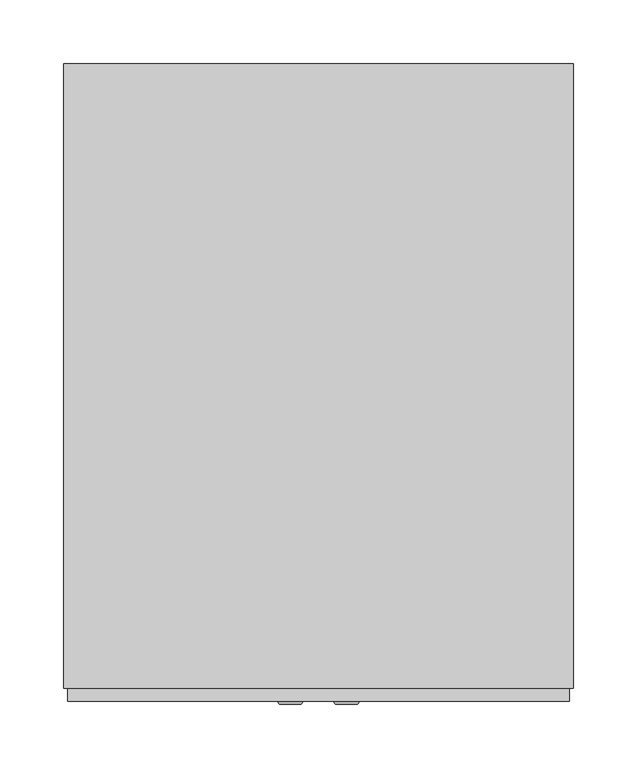
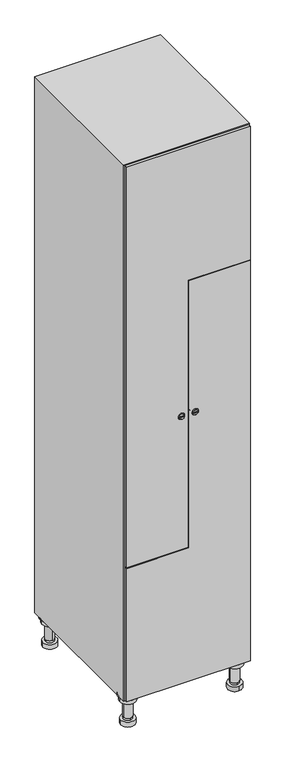
"""IFC4 building model written with IfcOpenShell, lengths in millimetres: furniture geometry."""

from ifc_helpers import new_model, si_unit, point, frame, frame_2d, origin, place, context, project, spatial, polyline, circle_curve, trimmed, segment, composite_curve, outline, extrude, faceted_brep, source, transform, mapped, element, save
from ifc_brep_helpers import plane_surface, cylinder_surface, revolved_surface, advanced_brep


def furniture_6a17eaa3(model_context):
    return source(origin(), model_context, "Body", "SolidModel", [
        advanced_brep(
        [(170.0, -201.0, 22.0), (170.0, -201.5, 16.0), (170.0, -228.5, 16.0), (170.0, -229.0, 22.0), (156.0, -215.0, 22.0), (184.0, -215.0, 22.0), (170.0, -192.5, 16.0), (170.0, -237.5, 16.0), (170.0, -192.5, 0.0), (170.0, -237.5, 0.0), (184.0, -215.0, 78.0), (156.0, -215.0, 78.0), (195.0, -215.0, 78.0), (145.0, -215.0, 78.0), (200.0, -215.0, 94.0), (140.0, -215.0, 94.0), (145.0, -215.0, 94.0), (195.0, -215.0, 94.0), (200.0, -215.0, 100.0), (140.0, -215.0, 100.0)],
        [
            (0, 1),
            (1, 2, circle_curve(frame((170.0, -215.0, 16.0), z_axis=(0.0, 0.0, 1.0), x_axis=(0.0, -1.0, 0.0)), 13.5)),
            (2, 3),
            (3, 4, circle_curve(frame((170.0, -215.0, 22.0), z_axis=(0.0, 0.0, -1.0), x_axis=(0.0, -1.0, 0.0)), 14.0)),
            (4, 0, circle_curve(frame((170.0, -215.0, 22.0), z_axis=(0.0, 0.0, -1.0), x_axis=(0.0, -1.0, 0.0)), 14.0)),
            (0, 5, circle_curve(frame((170.0, -215.0, 22.0), z_axis=(0.0, 0.0, -1.0), x_axis=(0.0, 1.0, 0.0)), 14.0)),
            (5, 3, circle_curve(frame((170.0, -215.0, 22.0), z_axis=(0.0, 0.0, -1.0), x_axis=(0.0, 1.0, 0.0)), 14.0)),
            (2, 1, circle_curve(frame((170.0, -215.0, 16.0), z_axis=(0.0, 0.0, 1.0), x_axis=(0.0, 1.0, 0.0)), 13.5)),
            (6, 7, circle_curve(frame((170.0, -215.0, 16.0), z_axis=(0.0, 0.0, 1.0), x_axis=(0.0, -1.0, 0.0)), 22.5)),
            (7, 6, circle_curve(frame((170.0, -215.0, 16.0), z_axis=(0.0, 0.0, 1.0), x_axis=(0.0, -1.0, 0.0)), 22.5)),
            (8, 9, circle_curve(frame((170.0, -215.0, 0.0), z_axis=(0.0, 0.0, -1.0), x_axis=(0.0, -1.0, 0.0)), 22.5)),
            (9, 8, circle_curve(frame((170.0, -215.0, 0.0), z_axis=(0.0, 0.0, -1.0), x_axis=(0.0, -1.0, 0.0)), 22.5)),
            (6, 8),
            (9, 7),
            (5, 10),
            (10, 11, circle_curve(frame((170.0, -215.0, 78.0), z_axis=(0.0, 0.0, -1.0), x_axis=(-1.0, 0.0, 0.0)), 14.0)),
            (11, 4),
            (11, 10, circle_curve(frame((170.0, -215.0, 78.0), z_axis=(0.0, 0.0, -1.0), x_axis=(-1.0, 0.0, 0.0)), 14.0)),
            (12, 13, circle_curve(frame((170.0, -215.0, 78.0), z_axis=(0.0, 0.0, -1.0), x_axis=(-1.0, 0.0, 0.0)), 25.0)),
            (13, 12, circle_curve(frame((170.0, -215.0, 78.0), z_axis=(0.0, 0.0, -1.0), x_axis=(-1.0, 0.0, 0.0)), 25.0)),
            (14, 15, circle_curve(frame((170.0, -215.0, 94.0), z_axis=(0.0, 0.0, -1.0), x_axis=(-1.0, 0.0, 0.0)), 30.0)),
            (15, 14, circle_curve(frame((170.0, -215.0, 94.0), z_axis=(0.0, 0.0, -1.0), x_axis=(-1.0, 0.0, 0.0)), 30.0)),
            (16, 17, circle_curve(frame((170.0, -215.0, 94.0), z_axis=(0.0, 0.0, 1.0), x_axis=(-1.0, 0.0, 0.0)), 25.0)),
            (17, 16, circle_curve(frame((170.0, -215.0, 94.0), z_axis=(0.0, 0.0, 1.0), x_axis=(-1.0, 0.0, 0.0)), 25.0)),
            (18, 19, circle_curve(frame((170.0, -215.0, 100.0), z_axis=(0.0, 0.0, 1.0), x_axis=(-1.0, 0.0, 0.0)), 30.0)),
            (19, 18, circle_curve(frame((170.0, -215.0, 100.0), z_axis=(0.0, 0.0, 1.0), x_axis=(-1.0, 0.0, 0.0)), 30.0)),
            (14, 18),
            (19, 15),
            (12, 17),
            (16, 13),
        ],
        [
            revolved_surface(polyline([(170.0, -201.5, 16.0), (170.0, -201.0, 22.0)]), (170.0, -215.0, -146.0), (0.0, 0.0, 1.0)),
            plane_surface(frame((170.0, 0.0, 16.0), z_axis=(0.0, 0.0, 1.0), x_axis=(0.0, -1.0, 0.0))),
            plane_surface(frame((170.0, 0.0, 0.0), z_axis=(0.0, 0.0, -1.0), x_axis=(0.0, -1.0, 0.0))),
            cylinder_surface(frame((170.0, -215.0, 16.0), z_axis=(0.0, 0.0, 1.0), x_axis=(0.0, -1.0, 0.0)), 22.5),
            cylinder_surface(frame((170.0, -215.0, 22.0), z_axis=(0.0, 0.0, -1.0), x_axis=(-1.0, 0.0, 0.0)), 14.0),
            plane_surface(frame((170.0, 0.0, 78.0), z_axis=(0.0, 0.0, -1.0), x_axis=(0.0, -1.0, 0.0))),
            plane_surface(frame((170.0, 0.0, 94.0), z_axis=(0.0, 0.0, -1.0), x_axis=(0.0, -1.0, 0.0))),
            plane_surface(frame((170.0, 0.0, 100.0), z_axis=(0.0, 0.0, 1.0), x_axis=(0.0, -1.0, 0.0))),
            cylinder_surface(frame((170.0, -215.0, 94.0), z_axis=(0.0, 0.0, -1.0), x_axis=(-1.0, 0.0, 0.0)), 30.0),
            cylinder_surface(frame((170.0, -215.0, 78.0), z_axis=(0.0, 0.0, -1.0), x_axis=(-1.0, 0.0, 0.0)), 25.0),
        ],
        [
            (0, [[1, 2, 3, 4, 5]]),
            (0, [[-1, 6, 7, -3, 8]]),
            (1, [[9, 10], [-2, -8]]),
            (2, [[11, 12]]),
            (3, [[-9, 13, -12, 14]]),
            (3, [[-10, -14, -11, -13]]),
            (4, [[15, 16, 17, -4, -7]]),
            (4, [[-15, -6, -5, -17, 18]]),
            (5, [[19, 20], [-16, -18]]),
            (6, [[21, 22], [23, 24]]),
            (7, [[25, 26]]),
            (8, [[-21, 27, -26, 28]]),
            (8, [[-22, -28, -25, -27]]),
            (9, [[-19, 29, -23, 30]]),
            (9, [[-20, -30, -24, -29]]),
        ],
    ),
        advanced_brep(
        [(-170.0, -201.0, 22.0), (-170.0, -201.5, 16.0), (-170.0, -228.5, 16.0), (-170.0, -229.0, 22.0), (-184.0, -215.0, 22.0), (-156.0, -215.0, 22.0), (-147.5, -215.0, 0.0), (-192.5, -215.0, 0.0), (-147.5, -215.0, 16.0), (-192.5, -215.0, 16.0), (-156.0, -215.0, 78.0), (-184.0, -215.0, 78.0), (-145.0, -215.0, 78.0), (-195.0, -215.0, 78.0), (-140.0, -215.0, 94.0), (-200.0, -215.0, 94.0), (-195.0, -215.0, 94.0), (-145.0, -215.0, 94.0), (-140.0, -215.0, 100.0), (-200.0, -215.0, 100.0)],
        [
            (0, 1),
            (1, 2, circle_curve(frame((-170.0, -215.0, 16.0), z_axis=(0.0, 0.0, 1.0), x_axis=(0.0, -1.0, 0.0)), 13.5)),
            (2, 3),
            (3, 4, circle_curve(frame((-170.0, -215.0, 22.0), z_axis=(0.0, 0.0, -1.0), x_axis=(0.0, -1.0, 0.0)), 14.0)),
            (4, 0, circle_curve(frame((-170.0, -215.0, 22.0), z_axis=(0.0, 0.0, -1.0), x_axis=(0.0, -1.0, 0.0)), 14.0)),
            (0, 5, circle_curve(frame((-170.0, -215.0, 22.0), z_axis=(0.0, 0.0, -1.0), x_axis=(0.0, 1.0, 0.0)), 14.0)),
            (5, 3, circle_curve(frame((-170.0, -215.0, 22.0), z_axis=(0.0, 0.0, -1.0), x_axis=(0.0, 1.0, 0.0)), 14.0)),
            (2, 1, circle_curve(frame((-170.0, -215.0, 16.0), z_axis=(0.0, 0.0, 1.0), x_axis=(0.0, 1.0, 0.0)), 13.5)),
            (6, 7, circle_curve(frame((-170.0, -215.0, 0.0), z_axis=(0.0, 0.0, -1.0), x_axis=(-1.0, 0.0, 0.0)), 22.5)),
            (7, 6, circle_curve(frame((-170.0, -215.0, 0.0), z_axis=(0.0, 0.0, -1.0), x_axis=(-1.0, 0.0, 0.0)), 22.5)),
            (8, 9, circle_curve(frame((-170.0, -215.0, 16.0), z_axis=(0.0, 0.0, 1.0), x_axis=(-1.0, 0.0, 0.0)), 22.5)),
            (9, 8, circle_curve(frame((-170.0, -215.0, 16.0), z_axis=(0.0, 0.0, 1.0), x_axis=(-1.0, 0.0, 0.0)), 22.5)),
            (6, 8),
            (9, 7),
            (5, 10),
            (10, 11, circle_curve(frame((-170.0, -215.0, 78.0), z_axis=(0.0, 0.0, -1.0), x_axis=(-1.0, 0.0, 0.0)), 14.0)),
            (11, 4),
            (11, 10, circle_curve(frame((-170.0, -215.0, 78.0), z_axis=(0.0, 0.0, -1.0), x_axis=(-1.0, 0.0, 0.0)), 14.0)),
            (12, 13, circle_curve(frame((-170.0, -215.0, 78.0), z_axis=(0.0, 0.0, -1.0), x_axis=(-1.0, 0.0, 0.0)), 25.0)),
            (13, 12, circle_curve(frame((-170.0, -215.0, 78.0), z_axis=(0.0, 0.0, -1.0), x_axis=(-1.0, 0.0, 0.0)), 25.0)),
            (14, 15, circle_curve(frame((-170.0, -215.0, 94.0), z_axis=(0.0, 0.0, -1.0), x_axis=(-1.0, 0.0, 0.0)), 30.0)),
            (15, 14, circle_curve(frame((-170.0, -215.0, 94.0), z_axis=(0.0, 0.0, -1.0), x_axis=(-1.0, 0.0, 0.0)), 30.0)),
            (16, 17, circle_curve(frame((-170.0, -215.0, 94.0), z_axis=(0.0, 0.0, 1.0), x_axis=(-1.0, 0.0, 0.0)), 25.0)),
            (17, 16, circle_curve(frame((-170.0, -215.0, 94.0), z_axis=(0.0, 0.0, 1.0), x_axis=(-1.0, 0.0, 0.0)), 25.0)),
            (18, 19, circle_curve(frame((-170.0, -215.0, 100.0), z_axis=(0.0, 0.0, 1.0), x_axis=(-1.0, 0.0, 0.0)), 30.0)),
            (19, 18, circle_curve(frame((-170.0, -215.0, 100.0), z_axis=(0.0, 0.0, 1.0), x_axis=(-1.0, 0.0, 0.0)), 30.0)),
            (14, 18),
            (19, 15),
            (12, 17),
            (16, 13),
        ],
        [
            revolved_surface(polyline([(-170.0, -201.5, 16.0), (-170.0, -201.0, 22.0)]), (-170.0, -215.0, -146.0), (0.0, 0.0, 1.0)),
            plane_surface(frame((-170.0, 0.0, 0.0), z_axis=(0.0, 0.0, -1.0), x_axis=(0.0, -1.0, 0.0))),
            plane_surface(frame((-170.0, 0.0, 16.0), z_axis=(0.0, 0.0, 1.0), x_axis=(0.0, -1.0, 0.0))),
            cylinder_surface(frame((-170.0, -215.0, 0.0), z_axis=(0.0, 0.0, -1.0), x_axis=(-1.0, 0.0, 0.0)), 22.5),
            cylinder_surface(frame((-170.0, -215.0, 22.0), z_axis=(0.0, 0.0, -1.0), x_axis=(-1.0, 0.0, 0.0)), 14.0),
            plane_surface(frame((-170.0, 0.0, 78.0), z_axis=(0.0, 0.0, -1.0), x_axis=(0.0, -1.0, 0.0))),
            plane_surface(frame((-170.0, 0.0, 94.0), z_axis=(0.0, 0.0, -1.0), x_axis=(0.0, -1.0, 0.0))),
            plane_surface(frame((-170.0, 0.0, 100.0), z_axis=(0.0, 0.0, 1.0), x_axis=(0.0, -1.0, 0.0))),
            cylinder_surface(frame((-170.0, -215.0, 94.0), z_axis=(0.0, 0.0, -1.0), x_axis=(-1.0, 0.0, 0.0)), 30.0),
            cylinder_surface(frame((-170.0, -215.0, 78.0), z_axis=(0.0, 0.0, -1.0), x_axis=(-1.0, 0.0, 0.0)), 25.0),
        ],
        [
            (0, [[1, 2, 3, 4, 5]]),
            (0, [[-1, 6, 7, -3, 8]]),
            (1, [[9, 10]]),
            (2, [[11, 12], [-2, -8]]),
            (3, [[-9, 13, -12, 14]]),
            (3, [[-10, -14, -11, -13]]),
            (4, [[15, 16, 17, -4, -7]]),
            (4, [[-15, -6, -5, -17, 18]]),
            (5, [[19, 20], [-16, -18]]),
            (6, [[21, 22], [23, 24]]),
            (7, [[25, 26]]),
            (8, [[-21, 27, -26, 28]]),
            (8, [[-22, -28, -25, -27]]),
            (9, [[-19, 29, -23, 30]]),
            (9, [[-20, -30, -24, -29]]),
        ],
    ),
        advanced_brep(
        [(183.5, 215.0, 16.0), (184.0, 215.0, 22.0), (156.0, 215.0, 22.0), (156.5, 215.0, 16.0), (192.5, 215.0, 0.0), (147.5, 215.0, 0.0), (192.5, 215.0, 16.0), (147.5, 215.0, 16.0), (184.0, 215.0, 78.0), (156.0, 215.0, 78.0), (195.0, 215.0, 78.0), (145.0, 215.0, 78.0), (200.0, 215.0, 94.0), (140.0, 215.0, 94.0), (145.0, 215.0, 94.0), (195.0, 215.0, 94.0), (200.0, 215.0, 100.0), (140.0, 215.0, 100.0)],
        [
            (0, 1),
            (1, 2, circle_curve(frame((170.0, 215.0, 22.0), z_axis=(0.0, 0.0, -1.0), x_axis=(-1.0, 0.0, 0.0)), 14.0)),
            (2, 3),
            (3, 0, circle_curve(frame((170.0, 215.0, 16.0), z_axis=(0.0, 0.0, 1.0), x_axis=(-1.0, 0.0, 0.0)), 13.5)),
            (0, 3, circle_curve(frame((170.0, 215.0, 16.0), z_axis=(0.0, 0.0, 1.0), x_axis=(1.0, 0.0, 0.0)), 13.5)),
            (2, 1, circle_curve(frame((170.0, 215.0, 22.0), z_axis=(0.0, 0.0, -1.0), x_axis=(1.0, 0.0, 0.0)), 14.0)),
            (4, 5, circle_curve(frame((170.0, 215.0, 0.0), z_axis=(0.0, 0.0, -1.0), x_axis=(-1.0, 0.0, 0.0)), 22.5)),
            (5, 4, circle_curve(frame((170.0, 215.0, 0.0), z_axis=(0.0, 0.0, -1.0), x_axis=(-1.0, 0.0, 0.0)), 22.5)),
            (6, 7, circle_curve(frame((170.0, 215.0, 16.0), z_axis=(0.0, 0.0, 1.0), x_axis=(-1.0, 0.0, 0.0)), 22.5)),
            (7, 6, circle_curve(frame((170.0, 215.0, 16.0), z_axis=(0.0, 0.0, 1.0), x_axis=(-1.0, 0.0, 0.0)), 22.5)),
            (4, 6),
            (7, 5),
            (1, 8),
            (8, 9, circle_curve(frame((170.0, 215.0, 78.0), z_axis=(0.0, 0.0, -1.0), x_axis=(-1.0, 0.0, 0.0)), 14.0)),
            (9, 2),
            (9, 8, circle_curve(frame((170.0, 215.0, 78.0), z_axis=(0.0, 0.0, -1.0), x_axis=(-1.0, 0.0, 0.0)), 14.0)),
            (10, 11, circle_curve(frame((170.0, 215.0, 78.0), z_axis=(0.0, 0.0, -1.0), x_axis=(-1.0, 0.0, 0.0)), 25.0)),
            (11, 10, circle_curve(frame((170.0, 215.0, 78.0), z_axis=(0.0, 0.0, -1.0), x_axis=(-1.0, 0.0, 0.0)), 25.0)),
            (12, 13, circle_curve(frame((170.0, 215.0, 94.0), z_axis=(0.0, 0.0, -1.0), x_axis=(-1.0, 0.0, 0.0)), 30.0)),
            (13, 12, circle_curve(frame((170.0, 215.0, 94.0), z_axis=(0.0, 0.0, -1.0), x_axis=(-1.0, 0.0, 0.0)), 30.0)),
            (14, 15, circle_curve(frame((170.0, 215.0, 94.0), z_axis=(0.0, 0.0, 1.0), x_axis=(-1.0, 0.0, 0.0)), 25.0)),
            (15, 14, circle_curve(frame((170.0, 215.0, 94.0), z_axis=(0.0, 0.0, 1.0), x_axis=(-1.0, 0.0, 0.0)), 25.0)),
            (16, 17, circle_curve(frame((170.0, 215.0, 100.0), z_axis=(0.0, 0.0, 1.0), x_axis=(-1.0, 0.0, 0.0)), 30.0)),
            (17, 16, circle_curve(frame((170.0, 215.0, 100.0), z_axis=(0.0, 0.0, 1.0), x_axis=(-1.0, 0.0, 0.0)), 30.0)),
            (12, 16),
            (17, 13),
            (10, 15),
            (14, 11),
        ],
        [
            revolved_surface(polyline([(183.5, 215.0, 16.0), (184.0, 215.0, 22.0)]), (170.0, 215.0, -146.0), (0.0, 0.0, 1.0)),
            plane_surface(frame((170.0, 0.0, 0.0), z_axis=(0.0, 0.0, -1.0), x_axis=(0.0, -1.0, 0.0))),
            plane_surface(frame((170.0, 0.0, 16.0), z_axis=(0.0, 0.0, 1.0), x_axis=(0.0, -1.0, 0.0))),
            cylinder_surface(frame((170.0, 215.0, 0.0), z_axis=(0.0, 0.0, -1.0), x_axis=(-1.0, 0.0, 0.0)), 22.5),
            cylinder_surface(frame((170.0, 215.0, 22.0), z_axis=(0.0, 0.0, -1.0), x_axis=(-1.0, 0.0, 0.0)), 14.0),
            plane_surface(frame((170.0, 0.0, 78.0), z_axis=(0.0, 0.0, -1.0), x_axis=(0.0, -1.0, 0.0))),
            plane_surface(frame((170.0, 0.0, 94.0), z_axis=(0.0, 0.0, -1.0), x_axis=(0.0, -1.0, 0.0))),
            plane_surface(frame((170.0, 0.0, 100.0), z_axis=(0.0, 0.0, 1.0), x_axis=(0.0, -1.0, 0.0))),
            cylinder_surface(frame((170.0, 215.0, 94.0), z_axis=(0.0, 0.0, -1.0), x_axis=(-1.0, 0.0, 0.0)), 30.0),
            cylinder_surface(frame((170.0, 215.0, 78.0), z_axis=(0.0, 0.0, -1.0), x_axis=(-1.0, 0.0, 0.0)), 25.0),
        ],
        [
            (0, [[1, 2, 3, 4]]),
            (0, [[-1, 5, -3, 6]]),
            (1, [[7, 8]]),
            (2, [[9, 10], [-4, -5]]),
            (3, [[-7, 11, -10, 12]]),
            (3, [[-8, -12, -9, -11]]),
            (4, [[13, 14, 15, -2]]),
            (4, [[-13, -6, -15, 16]]),
            (5, [[17, 18], [-14, -16]]),
            (6, [[19, 20], [21, 22]]),
            (7, [[23, 24]]),
            (8, [[-19, 25, -24, 26]]),
            (8, [[-20, -26, -23, -25]]),
            (9, [[-17, 27, -21, 28]]),
            (9, [[-18, -28, -22, -27]]),
        ],
    ),
        advanced_brep(
        [(-156.5, 215.0, 16.0), (-156.0, 215.0, 22.0), (-170.0, 201.0, 22.0), (-184.0, 215.0, 22.0), (-183.5, 215.0, 16.0), (-170.0, 229.0, 22.0), (-147.5, 215.0, 0.0), (-192.5, 215.0, 0.0), (-147.5, 215.0, 16.0), (-192.5, 215.0, 16.0), (-170.0, 229.0, 78.0), (-170.0, 201.0, 78.0), (-145.0, 215.0, 78.0), (-195.0, 215.0, 78.0), (-140.0, 215.0, 94.0), (-200.0, 215.0, 94.0), (-195.0, 215.0, 94.0), (-145.0, 215.0, 94.0), (-140.0, 215.0, 100.0), (-200.0, 215.0, 100.0)],
        [
            (0, 1),
            (1, 2, circle_curve(frame((-170.0, 215.0, 22.0), z_axis=(0.0, 0.0, -1.0), x_axis=(-1.0, 0.0, 0.0)), 14.0)),
            (2, 3, circle_curve(frame((-170.0, 215.0, 22.0), z_axis=(0.0, 0.0, -1.0), x_axis=(-1.0, 0.0, 0.0)), 14.0)),
            (3, 4),
            (4, 0, circle_curve(frame((-170.0, 215.0, 16.0), z_axis=(0.0, 0.0, 1.0), x_axis=(-1.0, 0.0, 0.0)), 13.5)),
            (0, 4, circle_curve(frame((-170.0, 215.0, 16.0), z_axis=(0.0, 0.0, 1.0), x_axis=(1.0, 0.0, 0.0)), 13.5)),
            (3, 5, circle_curve(frame((-170.0, 215.0, 22.0), z_axis=(0.0, 0.0, -1.0), x_axis=(1.0, 0.0, 0.0)), 14.0)),
            (5, 1, circle_curve(frame((-170.0, 215.0, 22.0), z_axis=(0.0, 0.0, -1.0), x_axis=(1.0, 0.0, 0.0)), 14.0)),
            (6, 7, circle_curve(frame((-170.0, 215.0, 0.0), z_axis=(0.0, 0.0, -1.0), x_axis=(-1.0, 0.0, 0.0)), 22.5)),
            (7, 6, circle_curve(frame((-170.0, 215.0, 0.0), z_axis=(0.0, 0.0, -1.0), x_axis=(-1.0, 0.0, 0.0)), 22.5)),
            (8, 9, circle_curve(frame((-170.0, 215.0, 16.0), z_axis=(0.0, 0.0, 1.0), x_axis=(-1.0, 0.0, 0.0)), 22.5)),
            (9, 8, circle_curve(frame((-170.0, 215.0, 16.0), z_axis=(0.0, 0.0, 1.0), x_axis=(-1.0, 0.0, 0.0)), 22.5)),
            (6, 8),
            (9, 7),
            (10, 5),
            (2, 11),
            (11, 10, circle_curve(frame((-170.0, 215.0, 78.0), z_axis=(0.0, 0.0, -1.0), x_axis=(0.0, -1.0, 0.0)), 14.0)),
            (10, 11, circle_curve(frame((-170.0, 215.0, 78.0), z_axis=(0.0, 0.0, -1.0), x_axis=(0.0, -1.0, 0.0)), 14.0)),
            (12, 13, circle_curve(frame((-170.0, 215.0, 78.0), z_axis=(0.0, 0.0, -1.0), x_axis=(-1.0, 0.0, 0.0)), 25.0)),
            (13, 12, circle_curve(frame((-170.0, 215.0, 78.0), z_axis=(0.0, 0.0, -1.0), x_axis=(-1.0, 0.0, 0.0)), 25.0)),
            (14, 15, circle_curve(frame((-170.0, 215.0, 94.0), z_axis=(0.0, 0.0, -1.0), x_axis=(-1.0, 0.0, 0.0)), 30.0)),
            (15, 14, circle_curve(frame((-170.0, 215.0, 94.0), z_axis=(0.0, 0.0, -1.0), x_axis=(-1.0, 0.0, 0.0)), 30.0)),
            (16, 17, circle_curve(frame((-170.0, 215.0, 94.0), z_axis=(0.0, 0.0, 1.0), x_axis=(-1.0, 0.0, 0.0)), 25.0)),
            (17, 16, circle_curve(frame((-170.0, 215.0, 94.0), z_axis=(0.0, 0.0, 1.0), x_axis=(-1.0, 0.0, 0.0)), 25.0)),
            (18, 19, circle_curve(frame((-170.0, 215.0, 100.0), z_axis=(0.0, 0.0, 1.0), x_axis=(-1.0, 0.0, 0.0)), 30.0)),
            (19, 18, circle_curve(frame((-170.0, 215.0, 100.0), z_axis=(0.0, 0.0, 1.0), x_axis=(-1.0, 0.0, 0.0)), 30.0)),
            (14, 18),
            (19, 15),
            (12, 17),
            (16, 13),
        ],
        [
            revolved_surface(polyline([(-156.5, 215.0, 16.0), (-156.0, 215.0, 22.0)]), (-170.0, 215.0, -146.0), (0.0, 0.0, 1.0)),
            plane_surface(frame((-170.0, 0.0, 0.0), z_axis=(0.0, 0.0, -1.0), x_axis=(0.0, -1.0, 0.0))),
            plane_surface(frame((-170.0, 0.0, 16.0), z_axis=(0.0, 0.0, 1.0), x_axis=(0.0, -1.0, 0.0))),
            cylinder_surface(frame((-170.0, 215.0, 0.0), z_axis=(0.0, 0.0, -1.0), x_axis=(-1.0, 0.0, 0.0)), 22.5),
            cylinder_surface(frame((-170.0, 215.0, 78.0), z_axis=(0.0, 0.0, 1.0), x_axis=(0.0, -1.0, 0.0)), 14.0),
            plane_surface(frame((-170.0, 0.0, 78.0), z_axis=(0.0, 0.0, -1.0), x_axis=(0.0, -1.0, 0.0))),
            plane_surface(frame((-170.0, 0.0, 94.0), z_axis=(0.0, 0.0, -1.0), x_axis=(0.0, -1.0, 0.0))),
            plane_surface(frame((-170.0, 0.0, 100.0), z_axis=(0.0, 0.0, 1.0), x_axis=(0.0, -1.0, 0.0))),
            cylinder_surface(frame((-170.0, 215.0, 94.0), z_axis=(0.0, 0.0, -1.0), x_axis=(-1.0, 0.0, 0.0)), 30.0),
            cylinder_surface(frame((-170.0, 215.0, 78.0), z_axis=(0.0, 0.0, -1.0), x_axis=(-1.0, 0.0, 0.0)), 25.0),
        ],
        [
            (0, [[1, 2, 3, 4, 5]]),
            (0, [[-1, 6, -4, 7, 8]]),
            (1, [[9, 10]]),
            (2, [[11, 12], [-5, -6]]),
            (3, [[-9, 13, -12, 14]]),
            (3, [[-10, -14, -11, -13]]),
            (4, [[15, -7, -3, 16, 17]]),
            (4, [[-15, 18, -16, -2, -8]]),
            (5, [[19, 20], [-17, -18]]),
            (6, [[21, 22], [23, 24]]),
            (7, [[25, 26]]),
            (8, [[-21, 27, -26, 28]]),
            (8, [[-22, -28, -25, -27]]),
            (9, [[-19, 29, -23, 30]]),
            (9, [[-20, -30, -24, -29]]),
        ],
    ),
        extrude(outline(composite_curve([segment(trimmed(circle_curve(frame_2d((1000.0, 4.7989466)), 7.0), [point((993.0, 4.7989466))], [point((1007.0, 4.7989466))], False, "CARTESIAN"), True, "CONTINUOUS"), segment(polyline([(1007.0, 4.7989466), (1007.0, -23.2010534)]), True, "CONTINUOUS"), segment(trimmed(circle_curve(frame_2d((1000.0, -23.2010534)), 7.0), [point((1007.0, -23.2010534))], [point((993.0, -23.2010534))], False, "CARTESIAN"), True, "CONTINUOUS"), segment(polyline([(993.0, -23.2010534), (993.0, 4.7989466)]), True, "CONTINUOUS")], self_intersect=False)), frame((0.0, -245.0, 0.0), z_axis=(0.0, 1.0, 0.0), x_axis=(0.0, 0.0, 1.0)), (0.0, 0.0, 1.0), 2.0),
        advanced_brep(
        [(-30.5, -257.2, 1000.0), (-13.5, -257.2, 1000.0), (-17.0, -257.2, 1001.25), (-17.0, -257.2, 998.75), (-27.0, -257.2, 998.75), (-27.0, -257.2, 1001.25), (-32.5, -255.0, 1000.0), (-11.5, -255.0, 1000.0), (-17.0, -255.0, 998.75), (-17.0, -255.0, 1001.25), (-27.0, -255.0, 1001.25), (-27.0, -255.0, 998.75)],
        [
            (0, 1, circle_curve(frame((-22.0, -257.2, 1000.0), z_axis=(0.0, -1.0, 0.0), x_axis=(-1.0, 0.0, 0.0)), 8.5)),
            (1, 0, circle_curve(frame((-22.0, -257.2, 1000.0), z_axis=(0.0, -1.0, 0.0), x_axis=(1.0, 0.0, 0.0)), 8.5)),
            (2, 3),
            (3, 4),
            (4, 5),
            (5, 2),
            (6, 7, circle_curve(frame((-22.0, -255.0, 1000.0), z_axis=(0.0, 1.0, 0.0), x_axis=(1.0, 0.0, 0.0)), 10.5)),
            (7, 6, circle_curve(frame((-22.0, -255.0, 1000.0), z_axis=(0.0, 1.0, 0.0), x_axis=(-1.0, 0.0, 0.0)), 10.5)),
            (8, 9),
            (9, 10),
            (10, 11),
            (11, 8),
            (0, 6),
            (7, 1),
            (8, 3),
            (2, 9),
            (11, 4),
            (10, 5),
        ],
        [
            plane_surface(frame((-22.0, -257.2, 1000.0), z_axis=(0.0, -1.0, 0.0), x_axis=(0.0, 0.0, -1.0))),
            plane_surface(frame((-22.0, -255.0, 1000.0), z_axis=(0.0, 1.0, 0.0), x_axis=(0.0, 0.0, -1.0))),
            revolved_surface(polyline([(-30.500000000000014, -257.2, 1000.0), (-32.5, -255.0, 1000.0)]), (-22.0, -266.55, 1000.0), (0.0, 1.0, 0.0)),
            revolved_surface(polyline([(-13.499999999999988, -257.2, 1000.0), (-11.5, -255.0, 1000.0)]), (-22.0, -266.55, 1000.0), (0.0, 1.0, 0.0)),
            plane_surface(frame((-17.0, -255.0, 1001.25), z_axis=(-1.0, 0.0, 0.0), x_axis=(0.0, -1.0, 0.0))),
            plane_surface(frame((-17.0, -255.0, 998.75), z_axis=(0.0, 0.0, 1.0), x_axis=(0.0, -1.0, 0.0))),
            plane_surface(frame((-27.0, -255.0, 998.75), z_axis=(1.0, 0.0, 0.0), x_axis=(0.0, -1.0, 0.0))),
            plane_surface(frame((-27.0, -255.0, 1001.25), z_axis=(0.0, 0.0, -1.0), x_axis=(0.0, -1.0, 0.0))),
        ],
        [
            (0, [[1, 2], [3, 4, 5, 6]]),
            (1, [[7, 8], [9, 10, 11, 12]]),
            (2, [[-1, 13, -8, 14]]),
            (3, [[-2, -14, -7, -13]]),
            (4, [[15, -3, 16, -9]]),
            (5, [[-15, -12, 17, -4]]),
            (6, [[-17, -11, 18, -5]]),
            (7, [[-16, -6, -18, -10]]),
        ],
    ),
        extrude(outline(polyline([(1897.0, -197.0), (553.0, -197.0), (553.0, -1.5), (1450.0, -1.5), (1450.0, 197.0), (1897.0, 197.0), (1897.0, -197.0)])), frame((0.0, -255.0, 0.0), z_axis=(0.0, 1.0, 0.0), x_axis=(0.0, 0.0, 1.0)), (0.0, 0.0, 1.0), 10.0),
        extrude(outline(composite_curve([segment(trimmed(circle_curve(frame_2d((1000.0, -4.7989466)), 7.0), [point((1007.0, -4.7989466))], [point((993.0, -4.7989466))], False, "CARTESIAN"), True, "CONTINUOUS"), segment(polyline([(993.0, -4.7989466), (993.0, 23.2010534)]), True, "CONTINUOUS"), segment(trimmed(circle_curve(frame_2d((1000.0, 23.2010534)), 7.0), [point((993.0, 23.2010534))], [point((1007.0, 23.2010534))], False, "CARTESIAN"), True, "CONTINUOUS"), segment(polyline([(1007.0, 23.2010534), (1007.0, -4.7989466)]), True, "CONTINUOUS")], self_intersect=False)), frame((0.0, -245.0, 0.0), z_axis=(0.0, 1.0, 0.0), x_axis=(0.0, 0.0, 1.0)), (0.0, 0.0, 1.0), 2.0),
        advanced_brep(
        [(30.5, -257.2, 1000.0), (13.5, -257.2, 1000.0), (17.0, -257.2, 998.75), (17.0, -257.2, 1001.25), (27.0, -257.2, 1001.25), (27.0, -257.2, 998.75), (32.5, -255.0, 1000.0), (11.5, -255.0, 1000.0), (17.0, -255.0, 1001.25), (17.0, -255.0, 998.75), (27.0, -255.0, 998.75), (27.0, -255.0, 1001.25)],
        [
            (0, 1, circle_curve(frame((22.0, -257.2, 1000.0), z_axis=(0.0, -1.0, 0.0), x_axis=(1.0, 0.0, 0.0)), 8.5)),
            (1, 0, circle_curve(frame((22.0, -257.2, 1000.0), z_axis=(0.0, -1.0, 0.0), x_axis=(-1.0, 0.0, 0.0)), 8.5)),
            (2, 3),
            (3, 4),
            (4, 5),
            (5, 2),
            (6, 7, circle_curve(frame((22.0, -255.0, 1000.0), z_axis=(0.0, 1.0, 0.0), x_axis=(-1.0, 0.0, 0.0)), 10.5)),
            (7, 6, circle_curve(frame((22.0, -255.0, 1000.0), z_axis=(0.0, 1.0, 0.0), x_axis=(1.0, 0.0, 0.0)), 10.5)),
            (8, 9),
            (9, 10),
            (10, 11),
            (11, 8),
            (0, 6),
            (7, 1),
            (8, 3),
            (2, 9),
            (11, 4),
            (10, 5),
        ],
        [
            plane_surface(frame((22.0, -257.2, 1000.0), z_axis=(0.0, -1.0, 0.0), x_axis=(0.0, 0.0, 1.0))),
            plane_surface(frame((22.0, -255.0, 1000.0), z_axis=(0.0, 1.0, 0.0), x_axis=(0.0, 0.0, 1.0))),
            revolved_surface(polyline([(30.500000000000014, -257.2, 1000.0), (32.5, -255.0, 1000.0)]), (22.0, -266.55, 1000.0), (0.0, 1.0, 0.0)),
            revolved_surface(polyline([(13.499999999999988, -257.2, 1000.0), (11.5, -255.0, 1000.0)]), (22.0, -266.55, 1000.0), (0.0, 1.0, 0.0)),
            plane_surface(frame((17.0, -255.0, 998.75), z_axis=(1.0, 0.0, 0.0), x_axis=(0.0, -1.0, 0.0))),
            plane_surface(frame((17.0, -255.0, 1001.25), z_axis=(0.0, 0.0, -1.0), x_axis=(0.0, -1.0, 0.0))),
            plane_surface(frame((27.0, -255.0, 1001.25), z_axis=(-1.0, 0.0, 0.0), x_axis=(0.0, -1.0, 0.0))),
            plane_surface(frame((27.0, -255.0, 998.75), z_axis=(0.0, 0.0, 1.0), x_axis=(0.0, -1.0, 0.0))),
        ],
        [
            (0, [[1, 2], [3, 4, 5, 6]]),
            (1, [[7, 8], [9, 10, 11, 12]]),
            (2, [[-1, 13, -8, 14]]),
            (3, [[-2, -14, -7, -13]]),
            (4, [[15, -3, 16, -9]]),
            (5, [[-15, -12, 17, -4]]),
            (6, [[-17, -11, 18, -5]]),
            (7, [[-16, -6, -18, -10]]),
        ],
    ),
        extrude(outline(polyline([(103.0, 197.0), (1447.0, 197.0), (1447.0, 1.5), (550.0, 1.5), (550.0, -197.0), (103.0, -197.0), (103.0, 197.0)])), frame((0.0, -255.0, 0.0), z_axis=(0.0, 1.0, 0.0), x_axis=(0.0, 0.0, 1.0)), (0.0, 0.0, 1.0), 10.0),
        extrude(outline(polyline([(1443.5, 190.0), (1453.5, 190.0), (1453.5, -5.0), (556.5, -5.0), (556.5, -190.0), (546.5, -190.0), (546.5, 5.0), (1443.5, 5.0), (1443.5, 190.0)])), frame((0.0, -245.0, 0.0), z_axis=(0.0, 1.0, 0.0), x_axis=(0.0, 0.0, 1.0)), (0.0, 0.0, 1.0), 486.0),
        faceted_brep([(200.0, -245.0, 100.0), (200.0, -245.0, 1900.0), (-200.0, -245.0, 1900.0), (-200.0, -245.0, 100.0), (190.0, -245.0, 1890.0), (190.0, -245.0, 110.0), (-190.0, -245.0, 110.0), (-190.0, -245.0, 1890.0), (200.0, 245.0, 100.0), (-200.0, 245.0, 100.0), (200.0, 245.0, 1900.0), (-200.0, 245.0, 1900.0), (190.0, 241.0, 1890.0), (190.0, 241.0, 110.0), (-200.0, 245.0, 1890.0), (-190.0, 241.0, 1890.0), (-190.0, 241.0, 110.0)], [[[0, 1, 2, 3], [4, 5, 6, 7]], [[8, 0, 3, 9]], [[1, 0, 8, 10]], [[1, 10, 11, 2]], [[4, 12, 13, 5]], [[9, 3, 2, 11, 14]], [[10, 8, 9, 14, 11]], [[12, 15, 16, 13]], [[15, 7, 6, 16]], [[4, 7, 15, 12]], [[6, 5, 13, 16]]]),
    ])


if __name__ == "__main__":
    model = new_model("IFC4")
    model_context = context("Model", 3, world=origin())
    ifc_project = project(units=[si_unit("LENGTHUNIT", "METRE", prefix="MILLI")], contexts=[model_context])
    site = spatial("IfcSite", under=ifc_project)
    building = spatial("IfcBuilding", under=site)
    placement = place(None, origin())
    furniture_shape = furniture_6a17eaa3(model_context)
    element("IfcFurniture", 1, at=placement, inside=building, context=model_context, shape_type="MappedRepresentation", body=[
        mapped(furniture_shape, transform((0.0, 0.0, 0.0), x_axis=(1.0, 0.0, 0.0), y_axis=(0.0, 1.0, 0.0), z_axis=(0.0, 0.0, 1.0))),
    ])
    save(model, "model.ifc")
